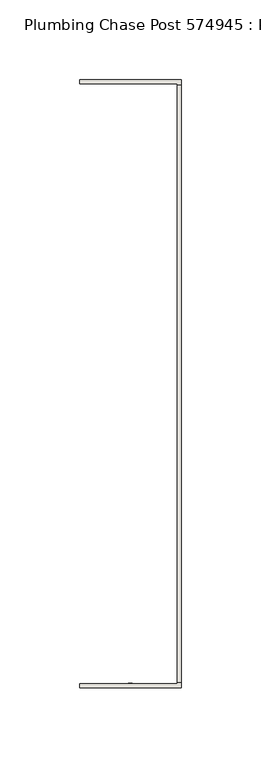
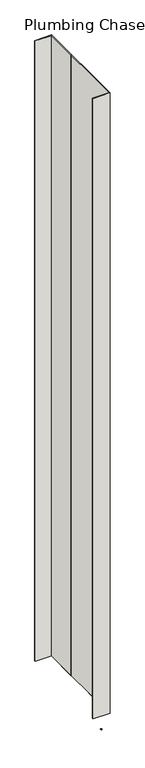
"""IFC4 building model written with IfcOpenShell, lengths in millimetres: wall geometry, Plumbing Chase Post 574945 : Plumbing Chase Post 574945."""

import ifcopenshell
import ifcopenshell.guid

model = None  # the IFC model being written
_history = None  # IfcOwnerHistory: only IFC2X3 demands one
_inside = {}  # id of a spatial element -> (the spatial element, [elements in it])
_under = {}  # id of a project, library or spatial element -> (it, [spatial elements below it])
_declared = {}  # id of a project -> (the project, [libraries it declares])
_typed = {}  # id of a type object -> (the type object, [elements of that type])
_made_of = {}  # id of a material, layer set ... -> (it, [elements and type objects made of it])


def new_model(schema):
    """Start an empty IFC model of exactly this schema.

    Asked for "IFC4X3", IfcOpenShell would pick the latest addendum, in which some entities
    have other attributes; the version numbers below select the first issue.
    IFC2X3 requires an IfcOwnerHistory on every rooted entity: one is made here for all.
    """
    global model, _history
    if schema == "IFC4X3":
        model = ifcopenshell.file(schema_version=(4, 3, 0, 0))
    else:
        model = ifcopenshell.file(schema=schema)
    _inside.clear()
    _under.clear()
    _declared.clear()
    _typed.clear()
    _made_of.clear()
    _history = None
    if model.schema == "IFC2X3":
        org = make("IfcOrganization", Name="unknown")
        user = make(
            "IfcPersonAndOrganization",
            ThePerson=make("IfcPerson", FamilyName="unknown"),
            TheOrganization=org,
        )
        app = make(
            "IfcApplication",
            ApplicationDeveloper=org,
            Version="unknown",
            ApplicationFullName="unknown",
            ApplicationIdentifier="unknown",
        )
        _history = make(
            "IfcOwnerHistory",
            OwningUser=user,
            OwningApplication=app,
            ChangeAction="ADDED",
            CreationDate=0,
        )
    return model


def make(cls, **values):
    """One entity of the class cls with the attributes given. An attribute that is None is left unset."""
    return model.create_entity(
        cls, **{name: value for name, value in values.items() if value is not None}
    )


def rooted(cls, **values):
    """An entity with a GlobalId (a new one), such as an element, a storey or a relation."""
    return make(cls, GlobalId=ifcopenshell.guid.new(), OwnerHistory=_history, **values)


def si_unit(unit_type, name, prefix=None):
    """IfcSIUnit, for example si_unit("LENGTHUNIT", "METRE", prefix="MILLI")."""
    return make("IfcSIUnit", UnitType=unit_type, Prefix=prefix, Name=name)


def assignment(units):
    """IfcUnitAssignment: the units of a project."""
    return None if units is None else make("IfcUnitAssignment", Units=units)


def point(xyz):
    """IfcCartesianPoint."""
    return None if xyz is None else make("IfcCartesianPoint", Coordinates=xyz)


def direction(xyz):
    """IfcDirection."""
    return None if xyz is None else make("IfcDirection", DirectionRatios=xyz)


def frame(location, z_axis=None, x_axis=None):
    """IfcAxis2Placement3D, a coordinate frame: its origin and axes. An axis left out is left unset."""
    return make(
        "IfcAxis2Placement3D",
        Location=point(location),
        Axis=direction(z_axis),
        RefDirection=direction(x_axis),
    )


def origin():
    """The frame at (0, 0, 0) with its axes left unset."""
    return frame((0.0, 0.0, 0.0))


def place(relative_to, where):
    """IfcLocalPlacement: puts the frame where relative to a parent placement (None: the world)."""
    return make(
        "IfcLocalPlacement", PlacementRelTo=relative_to, RelativePlacement=where
    )


def context(
    kind, dimensions, precision=None, world=None, true_north=None, identifier=None
):
    """IfcGeometricRepresentationContext, for example the 3D "Model" context."""
    return make(
        "IfcGeometricRepresentationContext",
        ContextIdentifier=identifier,
        ContextType=kind,
        CoordinateSpaceDimension=dimensions,
        Precision=precision,
        WorldCoordinateSystem=world,
        TrueNorth=true_north,
    )


def project(units=None, contexts=None):
    """IfcProject with its units and contexts."""
    return rooted(
        "IfcProject",
        Name="project",
        RepresentationContexts=contexts,
        UnitsInContext=assignment(units),
    )


def spatial(cls, under=None, at=None, **own):
    """A site, building, storey or space (cls), placed at a placement, below another one or the project."""
    s = rooted(cls, ObjectPlacement=at, **own)
    if under is not None:
        _under.setdefault(under.id(), (under, []))[1].append(s)
    return s


def polyline(points):
    """IfcPolyline through the points."""
    return make("IfcPolyline", Points=[point(p) for p in points])


def outline(outer, holes=None, kind="AREA"):
    """IfcArbitraryClosedProfileDef: a profile drawn as a closed curve; with holes, ...WithVoids."""
    if holes is None:
        return make("IfcArbitraryClosedProfileDef", ProfileType=kind, OuterCurve=outer)
    return make(
        "IfcArbitraryProfileDefWithVoids",
        ProfileType=kind,
        OuterCurve=outer,
        InnerCurves=holes,
    )


def extrude(swept, where, along, depth):
    """IfcExtrudedAreaSolid: the profile swept, set in the frame where, extruded along a direction by depth."""
    return make(
        "IfcExtrudedAreaSolid",
        SweptArea=swept,
        Position=where,
        ExtrudedDirection=direction(along),
        Depth=depth,
    )


def shape(context_of_items, identifier, shape_type, items):
    """IfcShapeRepresentation: the items that make up one representation, for example the "Body"."""
    return make(
        "IfcShapeRepresentation",
        ContextOfItems=context_of_items,
        RepresentationIdentifier=identifier,
        RepresentationType=shape_type,
        Items=items,
    )


def source(mapping_origin, context_of_items, identifier, shape_type, items):
    """IfcRepresentationMap: a shape defined once, which mapped items show again and again."""
    return make(
        "IfcRepresentationMap",
        MappingOrigin=mapping_origin,
        MappedRepresentation=shape(context_of_items, identifier, shape_type, items),
    )


def transform(
    local_origin,
    x_axis=None,
    y_axis=None,
    z_axis=None,
    scale=None,
    scale2=None,
    scale3=None,
    uniform=True,
):
    """IfcCartesianTransformationOperator3D, or its non-uniform kind. x_axis, y_axis, z_axis: its Axis1, 2, 3."""
    if uniform:
        return make(
            "IfcCartesianTransformationOperator3D",
            Axis1=direction(x_axis),
            Axis2=direction(y_axis),
            LocalOrigin=point(local_origin),
            Scale=scale,
            Axis3=direction(z_axis),
        )
    return make(
        "IfcCartesianTransformationOperator3DnonUniform",
        Axis1=direction(x_axis),
        Axis2=direction(y_axis),
        LocalOrigin=point(local_origin),
        Scale=scale,
        Axis3=direction(z_axis),
        Scale2=scale2,
        Scale3=scale3,
    )


def mapped(mapping_source, mapping_target):
    """IfcMappedItem: shows the shape of a source again, moved by a transform."""
    return make(
        "IfcMappedItem", MappingSource=mapping_source, MappingTarget=mapping_target
    )


def made_of(thing, what):
    """Note that an element or type object is made of a material, layer set ...; save() writes the relation."""
    if what is not None:
        _made_of.setdefault(what.id(), (what, []))[1].append(thing)
    return thing


def element(
    cls,
    number,
    at=None,
    inside=None,
    cuts=None,
    type_object=None,
    material=None,
    context=None,
    identifier="Body",
    shape_type=None,
    held_by="IfcProductDefinitionShape",
    body=None,
    shapes=None,
    **own,
):
    """One element of the class cls, such as IfcWall. Its Tag is "e" and its number.

    at: its placement. inside: the storey or other place that contains it. cuts: it is an
    opening in that element (IfcRelVoidsElement). A single representation is given by context,
    identifier, shape_type and body (its items); several are given by shapes. held_by: the class
    of the entity that holds the representations. save() writes the other relations.
    """
    e = rooted(cls, Tag="e%d" % number, ObjectPlacement=at, **own)
    if body is not None:
        shapes = [shape(context, identifier, shape_type, body)]
    if shapes is not None:
        e.Representation = make(held_by, Representations=shapes)
    if inside is not None:
        _inside.setdefault(inside.id(), (inside, []))[1].append(e)
    if cuts is not None:
        rooted(
            "IfcRelVoidsElement", RelatingBuildingElement=cuts, RelatedOpeningElement=e
        )
    if type_object is not None:
        _typed.setdefault(type_object.id(), (type_object, []))[1].append(e)
    return made_of(e, material)


def aggregate(whole, parts):
    """IfcRelAggregates: a whole, such as a stair, and the parts it consists of."""
    return rooted("IfcRelAggregates", RelatingObject=whole, RelatedObjects=parts)


def save(model, path):
    """Write the relations noted so far, then the file.

    IfcRelAggregates (storeys below a building ...), IfcRelContainedInSpatialStructure (elements
    in a storey), IfcRelDefinesByType, IfcRelAssociatesMaterial and IfcRelDeclares: one each for
    every whole, place, type object, material and project.
    """
    for whole, parts in _under.values():
        aggregate(whole, parts)
    for where, things in _inside.values():
        rooted(
            "IfcRelContainedInSpatialStructure",
            RelatedElements=things,
            RelatingStructure=where,
        )
    for kind, things in _typed.values():
        rooted("IfcRelDefinesByType", RelatedObjects=things, RelatingType=kind)
    for what, things in _made_of.values():
        rooted("IfcRelAssociatesMaterial", RelatedObjects=things, RelatingMaterial=what)
    for by, libraries in _declared.values():
        rooted("IfcRelDeclares", RelatingContext=by, RelatedDefinitions=libraries)
    model.write(path)


def plumbing_chase_post_574945_plumbing_chase_post_574945_81bd55d8(model_context):
    return source(origin(), model_context, "Body", "SweptSolid", [
        extrude(outline(polyline([(44096.3701002, -41504.9320014), (44096.3701002, -41502.3920014), (44098.9101002, -41502.3920014), (44098.9101002, -41504.9320014), (44096.3701002, -41504.9320014)])), frame((0.0, 0.0, 4419.6), z_axis=(0.0, 0.0, 1.0), x_axis=(1.0, 0.0, 0.0)), (0.0, 0.0, 1.0), 2.54),
        extrude(outline(polyline([(44129.6536506, -41126.6400732), (44129.6536506, -41502.229543), (44126.9871586, -41502.229543), (44126.9871586, -41126.6400732), (44129.6536506, -41126.6400732)])), frame((0.0, 0.0, 4474.8958), z_axis=(0.0, 0.0, 1.0), x_axis=(1.0, 0.0, 0.0)), (0.0, 0.0, 1.0), 2481.1482254),
        extrude(outline(polyline([(44129.6536506, -41126.6400732), (44129.6536506, -41502.229543), (44126.9871586, -41502.229543), (44126.9871586, -41126.6400732), (44129.6536506, -41126.6400732)])), frame((0.0, 0.0, 4474.8958), z_axis=(0.0, 0.0, 1.0), x_axis=(1.0, 0.0, 0.0)), (0.0, 0.0, 1.0), 2481.1482254),
        extrude(outline(polyline([(44129.6536506, -41123.1829046), (44129.6536506, -41256.5329046), (44126.9871586, -41256.5329046), (44126.9871586, -41125.8525208), (44065.6482668, -41125.8525208), (44065.6482668, -41123.1829046), (44129.6536506, -41123.1829046)])), frame((0.0, 0.0, 4474.8958), z_axis=(0.0, 0.0, 1.0), x_axis=(1.0, 0.0, 0.0)), (0.0, 0.0, 1.0), 2481.1482254),
        extrude(outline(polyline([(44129.6536506, -41123.1829046), (44129.6536506, -41256.5329046), (44126.9871586, -41256.5329046), (44126.9871586, -41125.8525208), (44065.6482668, -41125.8525208), (44065.6482668, -41123.1829046), (44129.6536506, -41123.1829046)])), frame((0.0, 0.0, 4474.8958), z_axis=(0.0, 0.0, 1.0), x_axis=(1.0, 0.0, 0.0)), (0.0, 0.0, 1.0), 2481.1482254),
        extrude(outline(polyline([(44126.9871586, -41372.3335874), (44129.6536506, -41372.3335874), (44129.6536506, -41505.6835874), (44065.6482668, -41505.6835874), (44065.6482668, -41503.0170954), (44126.9871586, -41503.0170954), (44126.9871586, -41372.3335874)])), frame((0.0, 0.0, 4474.8958), z_axis=(0.0, 0.0, 1.0), x_axis=(1.0, 0.0, 0.0)), (0.0, 0.0, 1.0), 2481.1482254),
        extrude(outline(polyline([(44126.9871586, -41372.3335874), (44129.6536506, -41372.3335874), (44129.6536506, -41505.6835874), (44065.6482668, -41505.6835874), (44065.6482668, -41503.0170954), (44126.9871586, -41503.0170954), (44126.9871586, -41372.3335874)])), frame((0.0, 0.0, 4474.8958), z_axis=(0.0, 0.0, 1.0), x_axis=(1.0, 0.0, 0.0)), (0.0, 0.0, 1.0), 2481.1482254),
    ])


if __name__ == "__main__":
    model = new_model("IFC4")
    model_context = context("Model", 3, world=origin())
    ifc_project = project(units=[si_unit("LENGTHUNIT", "METRE", prefix="MILLI")], contexts=[model_context])
    site = spatial("IfcSite", under=ifc_project)
    building = spatial("IfcBuilding", under=site)
    placement = place(None, origin())
    plumbing_chase_post_574945_plumbing_chase_post_574945_shape = plumbing_chase_post_574945_plumbing_chase_post_574945_81bd55d8(model_context)
    element("IfcWall", 1, ObjectType="Plumbing Chase Post 574945 : Plumbing Chase Post 574945", at=placement, inside=building, context=model_context, shape_type="MappedRepresentation", body=[
        mapped(plumbing_chase_post_574945_plumbing_chase_post_574945_shape, transform((0.0, 0.0, 0.0), x_axis=(1.0, 0.0, 0.0), y_axis=(0.0, 1.0, 0.0), z_axis=(0.0, 0.0, 1.0))),
    ])
    save(model, "model.ifc")
